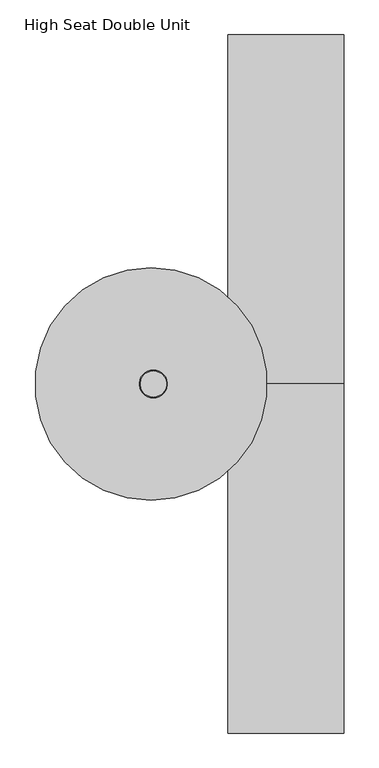
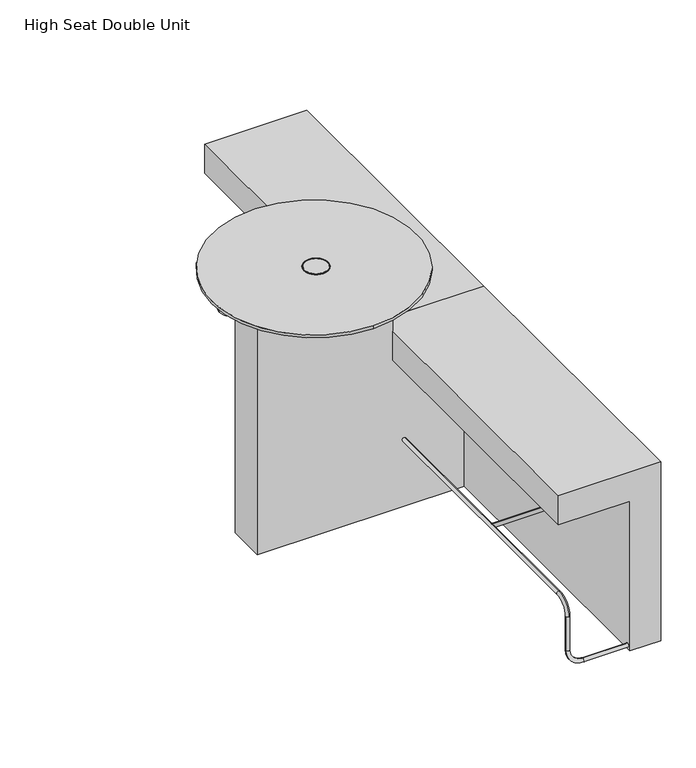
"""IFC4 building model written with IfcOpenShell, lengths in millimetres: furniture geometry, High Seat Double Unit."""

from ifc_helpers import new_model, si_unit, point, frame, frame_2d, origin, origin_with_axes, place, context, project, spatial, polyline, circle_curve, ellipse_curve, trimmed, segment, composite_curve, outline, extrude, source, transform, mapped, element, save
from ifc_brep_helpers import plane_surface, cylinder_surface, revolved_surface, advanced_brep


def high_seat_double_unit_8a950d70(model_context):
    return source(origin(), model_context, "Body", "SolidModel", [
        extrude(outline(composite_curve([segment(trimmed(circle_curve(frame_2d((-536.25, 0.0)), 48.0), [point((-536.25, 48.0))], [point((-536.25, -48.0))], False, "CARTESIAN"), True, "CONTINUOUS"), segment(trimmed(circle_curve(frame_2d((-536.25, 0.0)), 48.0), [point((-536.25, -48.0))], [point((-536.25, 48.0))], False, "CARTESIAN"), True, "CONTINUOUS")], self_intersect=False), holes=[composite_curve([segment(trimmed(circle_curve(frame_2d((-536.25, 0.0)), 45.0), [point((-536.25, 45.0))], [point((-536.25, -45.0))], True, "CARTESIAN"), True, "CONTINUOUS"), segment(trimmed(circle_curve(frame_2d((-536.25, 0.0)), 45.0), [point((-536.25, -45.0))], [point((-536.25, 45.0))], True, "CARTESIAN"), True, "CONTINUOUS")], self_intersect=False)]), frame((0.0, 0.0, 1060.0), z_axis=(0.0, 0.0, 1.0), x_axis=(1.0, 0.0, 0.0)), (0.0, 0.0, 1.0), 2.0),
        extrude(outline(composite_curve([segment(trimmed(circle_curve(frame_2d((-536.25, 0.0)), 45.0), [point((-536.25, 45.0))], [point((-536.25, -45.0))], False, "CARTESIAN"), True, "CONTINUOUS"), segment(trimmed(circle_curve(frame_2d((-536.25, 0.0)), 45.0), [point((-536.25, -45.0))], [point((-536.25, 45.0))], False, "CARTESIAN"), True, "CONTINUOUS")], self_intersect=False)), frame((0.0, 0.0, 1060.0), z_axis=(0.0, 0.0, 1.0), x_axis=(1.0, 0.0, 0.0)), (0.0, 0.0, 1.0), 2.0),
        extrude(outline(composite_curve([segment(trimmed(circle_curve(frame_2d((60.423152, 59.9805734)), 25.0), [point((60.423152, 84.9805734))], [point((60.423152, 34.9805734))], False, "CARTESIAN"), True, "CONTINUOUS"), segment(trimmed(circle_curve(frame_2d((60.423152, 59.9805734)), 25.0), [point((60.423152, 34.9805734))], [point((60.423152, 84.9805734))], False, "CARTESIAN"), True, "CONTINUOUS")], self_intersect=False)), origin_with_axes(), (0.0, 0.0, 1.0), 10.0),
        advanced_brep(
        [(0.0, -1184.1185487, 17.5), (0.0, -1184.1185487, 32.5), (-174.8704276, -1184.1185487, 32.5), (-174.8704276, -1184.1185487, 17.5), (-227.3704276, -1184.1185487, 85.0), (-242.3704276, -1184.1185487, 85.0), (-227.3704276, -1184.1185487, 225.8567292), (-234.8704276, -1191.6185487, 225.8567292), (-242.3704276, -1184.1185487, 225.8567292), (-234.8704276, -1176.6185487, 225.8567292), (-234.8704276, -1124.1185487, 278.3567292), (-234.8704276, -1124.1185487, 293.3567292), (-234.8704276, -75.0, 278.3567292), (-234.8704276, -75.0, 293.3567292)],
        [
            (0, 1, circle_curve(frame((0.0, -1184.1185487, 25.0), z_axis=(1.0, 0.0, 0.0), x_axis=(0.0, 0.0, 1.0)), 7.5)),
            (1, 0, circle_curve(frame((0.0, -1184.1185487, 25.0), z_axis=(1.0, 0.0, 0.0), x_axis=(0.0, 0.0, 1.0)), 7.5)),
            (1, 2),
            (2, 3, circle_curve(frame((-174.8704276, -1184.1185487, 25.0), z_axis=(1.0, 0.0, 0.0), x_axis=(0.0, 0.0, 1.0)), 7.5)),
            (3, 0),
            (3, 2, circle_curve(frame((-174.8704276, -1184.1185487, 25.0), z_axis=(1.0, 0.0, 0.0), x_axis=(0.0, 0.0, 1.0)), 7.5)),
            (2, 4, circle_curve(frame((-174.8704276, -1184.1185487, 85.0), z_axis=(0.0, 1.0, 0.0), x_axis=(0.0, 0.0, -1.0)), 52.5)),
            (4, 5, circle_curve(frame((-234.8704276, -1184.1185487, 85.0), z_axis=(0.0, 0.0, -1.0), x_axis=(1.0, 0.0, 0.0)), 7.5)),
            (5, 3, circle_curve(frame((-174.8704276, -1184.1185487, 85.0), z_axis=(0.0, -1.0, 0.0), x_axis=(0.0, 0.0, -1.0)), 67.5)),
            (5, 4, circle_curve(frame((-234.8704276, -1184.1185487, 85.0), z_axis=(0.0, 0.0, -1.0), x_axis=(1.0, 0.0, 0.0)), 7.5)),
            (4, 6),
            (6, 7, circle_curve(frame((-234.8704276, -1184.1185487, 225.8567292), z_axis=(0.0, 0.0, -1.0), x_axis=(1.0, 0.0, 0.0)), 7.5)),
            (7, 8, circle_curve(frame((-234.8704276, -1184.1185487, 225.8567292), z_axis=(0.0, 0.0, -1.0), x_axis=(1.0, 0.0, 0.0)), 7.5)),
            (8, 5),
            (8, 9, circle_curve(frame((-234.8704276, -1184.1185487, 225.8567292), z_axis=(0.0, 0.0, -1.0), x_axis=(1.0, 0.0, 0.0)), 7.5)),
            (9, 6, circle_curve(frame((-234.8704276, -1184.1185487, 225.8567292), z_axis=(0.0, 0.0, -1.0), x_axis=(1.0, 0.0, 0.0)), 7.5)),
            (10, 9, circle_curve(frame((-234.8704276, -1124.1185487, 225.8567292), z_axis=(1.0, 0.0, 0.0), x_axis=(0.0, -1.0, 0.0)), 52.5)),
            (7, 11, circle_curve(frame((-234.8704276, -1124.1185487, 225.8567292), z_axis=(-1.0, 0.0, 0.0), x_axis=(0.0, -1.0, 0.0)), 67.5)),
            (11, 10, circle_curve(frame((-234.8704276, -1124.1185487, 285.8567292), z_axis=(0.0, -1.0, 0.0), x_axis=(0.0, 0.0, 1.0)), 7.5)),
            (10, 11, circle_curve(frame((-234.8704276, -1124.1185487, 285.8567292), z_axis=(0.0, -1.0, 0.0), x_axis=(0.0, 0.0, 1.0)), 7.5)),
            (12, 13, circle_curve(frame((-234.8704276, -75.0, 285.8567292), z_axis=(0.0, 1.0, 0.0), x_axis=(0.0, 0.0, 1.0)), 7.5)),
            (13, 12, circle_curve(frame((-234.8704276, -75.0, 285.8567292), z_axis=(0.0, 1.0, 0.0), x_axis=(0.0, 0.0, 1.0)), 7.5)),
            (11, 13),
            (12, 10),
        ],
        [
            plane_surface(frame((0.0, -1184.1185487, 25.0), z_axis=(1.0, 0.0, 0.0), x_axis=(0.0, 1.0, 0.0))),
            cylinder_surface(frame((0.0, -1184.1185487, 25.0), z_axis=(1.0, 0.0, 0.0), x_axis=(0.0, 0.0, 1.0)), 7.5),
            revolved_surface(trimmed(ellipse_curve(frame((-174.8704276, -1184.1185487, 25.0), z_axis=(1.0, 0.0, 0.0), x_axis=(0.0, 0.0, 1.0)), 7.5, 7.5), [point((-174.8704276, -1184.1185487, 32.5))], [point((-174.8704276, -1184.1185487, 17.5))], True, "CARTESIAN"), (-174.8704276, -1184.1185487, 85.0), (0.0, 1.0, 0.0)),
            revolved_surface(trimmed(ellipse_curve(frame((-174.8704276, -1184.1185487, 25.0), z_axis=(1.0, 0.0, 0.0), x_axis=(0.0, 0.0, 1.0)), 7.5, 7.5), [point((-174.8704276, -1184.1185487, 17.5))], [point((-174.8704276, -1184.1185487, 32.5))], True, "CARTESIAN"), (-174.8704276, -1184.1185487, 85.0), (0.0, 1.0, 0.0)),
            cylinder_surface(frame((-234.8704276, -1184.1185487, 85.0), z_axis=(0.0, 0.0, -1.0), x_axis=(1.0, 0.0, 0.0)), 7.5),
            revolved_surface(trimmed(ellipse_curve(frame((-234.8704276, -1184.1185487, 225.8567292), z_axis=(0.0, 0.0, -1.0), x_axis=(0.0, -1.0, 0.0)), 7.5, 7.5), [point((-234.8704276, -1191.6185487, 225.8567292))], [point((-234.8704276, -1176.6185487, 225.8567292))], True, "CARTESIAN"), (0.0, -1124.1185487, 225.8567292), (-1.0, 0.0, 0.0)),
            revolved_surface(trimmed(ellipse_curve(frame((-234.8704276, -1184.1185487, 225.8567292), z_axis=(0.0, 0.0, -1.0), x_axis=(0.0, -1.0, 0.0)), 7.5, 7.5), [point((-234.8704276, -1176.6185487, 225.8567292))], [point((-234.8704276, -1191.6185487, 225.8567292))], True, "CARTESIAN"), (0.0, -1124.1185487, 225.8567292), (-1.0, 0.0, 0.0)),
            plane_surface(frame((0.0, -75.0, 285.8567292), z_axis=(0.0, 1.0, 0.0), x_axis=(1.0, 0.0, 0.0))),
            cylinder_surface(frame((-234.8704276, -1124.1185487, 285.8567292), z_axis=(0.0, -1.0, 0.0), x_axis=(0.0, 0.0, 1.0)), 7.5),
        ],
        [
            (0, [[1, 2]]),
            (1, [[-2, 3, 4, 5]]),
            (1, [[-1, -5, 6, -3]]),
            (2, [[-4, 7, 8, 9]]),
            (3, [[-6, -9, 10, -7]]),
            (4, [[-8, 11, 12, 13, 14]]),
            (4, [[-10, -14, 15, 16, -11]]),
            (5, [[17, -15, -13, 18, 19]]),
            (6, [[-17, 20, -18, -12, -16]]),
            (7, [[21, 22]]),
            (8, [[-19, 23, -21, 24]]),
            (8, [[-20, -24, -22, -23]]),
        ],
    ),
        extrude(outline(composite_curve([segment(trimmed(circle_curve(frame_2d((-666.9247919, 285.8721425)), 7.5), [point((-666.9247919, 278.3721425))], [point((-666.9247919, 293.3721425))], False, "CARTESIAN"), True, "CONTINUOUS"), segment(trimmed(circle_curve(frame_2d((-666.9247919, 285.8721425)), 7.5), [point((-666.9247919, 293.3721425))], [point((-666.9247919, 278.3721425))], False, "CARTESIAN"), True, "CONTINUOUS")], self_intersect=False)), frame((-234.8704276, 0.0, 0.0), z_axis=(1.0, 0.0, 0.0), x_axis=(0.0, 1.0, 0.0)), (0.0, 0.0, 1.0), 234.8704276),
        extrude(outline(polyline([(750.0, 120.0), (750.0, -280.0), (630.0, -280.0), (630.0, 0.0), (10.0, 0.0), (10.0, 120.0), (750.0, 120.0)])), frame((0.0, -1200.0, 0.0), z_axis=(0.0, 1.0, 0.0), x_axis=(0.0, 0.0, 1.0)), (0.0, 0.0, 1.0), 1200.0),
        extrude(outline(composite_curve([segment(trimmed(circle_curve(frame_2d((60.423152, -1075.0240584)), 25.0), [point((60.423152, -1050.0240584))], [point((60.423152, -1100.0240584))], False, "CARTESIAN"), True, "CONTINUOUS"), segment(trimmed(circle_curve(frame_2d((60.423152, -1075.0240584)), 25.0), [point((60.423152, -1100.0240584))], [point((60.423152, -1050.0240584))], False, "CARTESIAN"), True, "CONTINUOUS")], self_intersect=False)), origin_with_axes(), (0.0, 0.0, 1.0), 10.0),
        advanced_brep(
        [(-234.8704276, 1124.1185487, 278.3567292), (-234.8704276, 1176.6185487, 225.8567292), (-227.3704276, 1184.1185487, 225.8567292), (-234.8704276, 1191.6185487, 225.8567292), (-234.8704276, 1124.1185487, 293.3567292), (-242.3704276, 1184.1185487, 225.8567292), (-234.8704276, 75.0, 293.3567292), (-234.8704276, 75.0, 278.3567292), (0.0, 1184.1185487, 32.5), (0.0, 1184.1185487, 17.5), (-174.8704276, 1184.1185487, 32.5), (-174.8704276, 1184.1185487, 17.5), (-227.3704276, 1184.1185487, 85.0), (-242.3704276, 1184.1185487, 85.0)],
        [
            (0, 1, circle_curve(frame((-234.8704276, 1124.1185487, 225.8567292), z_axis=(-1.0, 0.0, 0.0), x_axis=(0.0, 1.0, 0.0)), 52.5)),
            (1, 2, circle_curve(frame((-234.8704276, 1184.1185487, 225.8567292), z_axis=(0.0, 0.0, 1.0), x_axis=(0.0, -1.0, 0.0)), 7.5)),
            (2, 3, circle_curve(frame((-234.8704276, 1184.1185487, 225.8567292), z_axis=(0.0, 0.0, 1.0), x_axis=(0.0, -1.0, 0.0)), 7.5)),
            (3, 4, circle_curve(frame((-234.8704276, 1124.1185487, 225.8567292), z_axis=(1.0, 0.0, 0.0), x_axis=(0.0, 1.0, 0.0)), 67.5)),
            (4, 0, circle_curve(frame((-234.8704276, 1124.1185487, 285.8567292), z_axis=(0.0, 1.0, 0.0), x_axis=(0.0, 0.0, -1.0)), 7.5)),
            (0, 4, circle_curve(frame((-234.8704276, 1124.1185487, 285.8567292), z_axis=(0.0, 1.0, 0.0), x_axis=(0.0, 0.0, -1.0)), 7.5)),
            (3, 5, circle_curve(frame((-234.8704276, 1184.1185487, 225.8567292), z_axis=(0.0, 0.0, 1.0), x_axis=(0.0, -1.0, 0.0)), 7.5)),
            (5, 1, circle_curve(frame((-234.8704276, 1184.1185487, 225.8567292), z_axis=(0.0, 0.0, 1.0), x_axis=(0.0, -1.0, 0.0)), 7.5)),
            (6, 7, circle_curve(frame((-234.8704276, 75.0, 285.8567292), z_axis=(0.0, -1.0, 0.0), x_axis=(0.0, 0.0, -1.0)), 7.5)),
            (7, 6, circle_curve(frame((-234.8704276, 75.0, 285.8567292), z_axis=(0.0, -1.0, 0.0), x_axis=(0.0, 0.0, -1.0)), 7.5)),
            (4, 6),
            (7, 0),
            (8, 9, circle_curve(frame((0.0, 1184.1185487, 25.0), z_axis=(1.0, 0.0, 0.0), x_axis=(0.0, 0.0, -1.0)), 7.5)),
            (9, 8, circle_curve(frame((0.0, 1184.1185487, 25.0), z_axis=(1.0, 0.0, 0.0), x_axis=(0.0, 0.0, -1.0)), 7.5)),
            (8, 10),
            (10, 11, circle_curve(frame((-174.8704276, 1184.1185487, 25.0), z_axis=(1.0, 0.0, 0.0), x_axis=(0.0, 0.0, -1.0)), 7.5)),
            (11, 9),
            (11, 10, circle_curve(frame((-174.8704276, 1184.1185487, 25.0), z_axis=(1.0, 0.0, 0.0), x_axis=(0.0, 0.0, -1.0)), 7.5)),
            (10, 12, circle_curve(frame((-174.8704276, 1184.1185487, 85.0), z_axis=(0.0, 1.0, 0.0), x_axis=(0.0, 0.0, -1.0)), 52.5)),
            (12, 13, circle_curve(frame((-234.8704276, 1184.1185487, 85.0), z_axis=(0.0, 0.0, -1.0), x_axis=(-1.0, 0.0, 0.0)), 7.5)),
            (13, 11, circle_curve(frame((-174.8704276, 1184.1185487, 85.0), z_axis=(0.0, -1.0, 0.0), x_axis=(0.0, 0.0, -1.0)), 67.5)),
            (13, 12, circle_curve(frame((-234.8704276, 1184.1185487, 85.0), z_axis=(0.0, 0.0, -1.0), x_axis=(-1.0, 0.0, 0.0)), 7.5)),
            (12, 2),
            (5, 13),
        ],
        [
            revolved_surface(trimmed(ellipse_curve(frame((-234.8704276, 1184.1185487, 225.8567292), z_axis=(0.0, 0.0, -1.0), x_axis=(0.0, -1.0, 0.0)), 7.5, 7.5), [point((-234.8704276, 1191.6185487, 225.8567292))], [point((-234.8704276, 1176.6185487, 225.8567292))], True, "CARTESIAN"), (0.0, 1124.1185487, 225.8567292), (1.0, 0.0, 0.0)),
            revolved_surface(trimmed(ellipse_curve(frame((-234.8704276, 1184.1185487, 225.8567292), z_axis=(0.0, 0.0, -1.0), x_axis=(0.0, -1.0, 0.0)), 7.5, 7.5), [point((-234.8704276, 1176.6185487, 225.8567292))], [point((-234.8704276, 1191.6185487, 225.8567292))], True, "CARTESIAN"), (0.0, 1124.1185487, 225.8567292), (1.0, 0.0, 0.0)),
            plane_surface(frame((0.0, 75.0, 285.8567292), z_axis=(0.0, -1.0, 0.0), x_axis=(1.0, 0.0, 0.0))),
            cylinder_surface(frame((-234.8704276, 1124.1185487, 285.8567292), z_axis=(0.0, 1.0, 0.0), x_axis=(0.0, 0.0, -1.0)), 7.5),
            plane_surface(frame((0.0, 1109.1185487, 25.0), z_axis=(1.0, 0.0, 0.0), x_axis=(0.0, -1.0, 0.0))),
            cylinder_surface(frame((0.0, 1184.1185487, 25.0), z_axis=(1.0, 0.0, 0.0), x_axis=(0.0, 0.0, -1.0)), 7.5),
            revolved_surface(trimmed(ellipse_curve(frame((-174.8704276, 1184.1185487, 25.0), z_axis=(1.0, 0.0, 0.0), x_axis=(0.0, 0.0, -1.0)), 7.5, 7.5), [point((-174.8704276, 1184.1185487, 32.5))], [point((-174.8704276, 1184.1185487, 17.5))], True, "CARTESIAN"), (-174.8704276, 1109.1185487, 85.0), (0.0, 1.0, 0.0)),
            revolved_surface(trimmed(ellipse_curve(frame((-174.8704276, 1184.1185487, 25.0), z_axis=(1.0, 0.0, 0.0), x_axis=(0.0, 0.0, -1.0)), 7.5, 7.5), [point((-174.8704276, 1184.1185487, 17.5))], [point((-174.8704276, 1184.1185487, 32.5))], True, "CARTESIAN"), (-174.8704276, 1109.1185487, 85.0), (0.0, 1.0, 0.0)),
            cylinder_surface(frame((-234.8704276, 1184.1185487, 85.0), z_axis=(0.0, 0.0, -1.0), x_axis=(-1.0, 0.0, 0.0)), 7.5),
        ],
        [
            (0, [[1, 2, 3, 4, 5]]),
            (1, [[-1, 6, -4, 7, 8]]),
            (2, [[9, 10]]),
            (3, [[-5, 11, -10, 12]]),
            (3, [[-6, -12, -9, -11]]),
            (4, [[13, 14]]),
            (5, [[-13, 15, 16, 17]]),
            (5, [[-14, -17, 18, -15]]),
            (6, [[-16, 19, 20, 21]]),
            (7, [[-18, -21, 22, -19]]),
            (8, [[-20, 23, -2, -8, 24]]),
            (8, [[-22, -24, -7, -3, -23]]),
        ],
    ),
        extrude(outline(composite_curve([segment(trimmed(circle_curve(frame_2d((666.9247919, 285.8721425)), 7.5), [point((666.9247919, 278.3721425))], [point((666.9247919, 293.3721425))], False, "CARTESIAN"), True, "CONTINUOUS"), segment(trimmed(circle_curve(frame_2d((666.9247919, 285.8721425)), 7.5), [point((666.9247919, 293.3721425))], [point((666.9247919, 278.3721425))], False, "CARTESIAN"), True, "CONTINUOUS")], self_intersect=False)), frame((-234.8704276, 0.0, 0.0), z_axis=(1.0, 0.0, 0.0), x_axis=(0.0, 1.0, 0.0)), (0.0, 0.0, 1.0), 234.8704276),
        extrude(outline(composite_curve([segment(trimmed(circle_curve(frame_2d((60.423152, -59.9805734)), 25.0), [point((60.423152, -34.9805734))], [point((60.423152, -84.9805734))], False, "CARTESIAN"), True, "CONTINUOUS"), segment(trimmed(circle_curve(frame_2d((60.423152, -59.9805734)), 25.0), [point((60.423152, -84.9805734))], [point((60.423152, -34.9805734))], False, "CARTESIAN"), True, "CONTINUOUS")], self_intersect=False)), origin_with_axes(), (0.0, 0.0, 1.0), 10.0),
        extrude(outline(polyline([(750.0, 120.0), (750.0, -280.0), (630.0, -280.0), (630.0, 0.0), (10.0, 0.0), (10.0, 120.0), (750.0, 120.0)])), frame((0.0, 0.0, 0.0), z_axis=(0.0, 1.0, 0.0), x_axis=(0.0, 0.0, 1.0)), (0.0, 0.0, 1.0), 1200.0),
        extrude(outline(composite_curve([segment(trimmed(circle_curve(frame_2d((-760.0, 0.0)), 25.0), [point((-785.0, 0.0))], [point((-735.0, 0.0))], False, "CARTESIAN"), True, "CONTINUOUS"), segment(trimmed(circle_curve(frame_2d((-760.0, 0.0)), 25.0), [point((-735.0, 0.0))], [point((-785.0, 0.0))], False, "CARTESIAN"), True, "CONTINUOUS")], self_intersect=False)), origin_with_axes(), (0.0, 0.0, 1.0), 10.0),
        advanced_brep(
        [(-544.1165847, 400.0, 1060.0), (-544.1165847, -400.0, 1060.0), (-544.1165847, -344.0192379, 1034.1358283), (-544.1165847, 344.0192379, 1034.1358283), (-544.1165847, 400.0, 1049.1358283), (-544.1165847, -400.0, 1049.1358283)],
        [
            (0, 1, circle_curve(frame((-544.1165847, 0.0, 1060.0), z_axis=(0.0, 0.0, 1.0), x_axis=(0.0, -1.0, 0.0)), 400.0)),
            (1, 0, circle_curve(frame((-544.1165847, 0.0, 1060.0), z_axis=(0.0, 0.0, 1.0), x_axis=(0.0, -1.0, 0.0)), 400.0)),
            (2, 3, circle_curve(frame((-544.1165847, 0.0, 1034.1358283), z_axis=(0.0, 0.0, -1.0), x_axis=(0.0, 1.0, 0.0)), 344.0192379)),
            (3, 2, circle_curve(frame((-544.1165847, 0.0, 1034.1358283), z_axis=(0.0, 0.0, -1.0), x_axis=(0.0, -1.0, 0.0)), 344.0192379)),
            (0, 4),
            (4, 5, circle_curve(frame((-544.1165847, 0.0, 1049.1358283), z_axis=(0.0, 0.0, 1.0), x_axis=(0.0, -1.0, 0.0)), 400.0)),
            (5, 1),
            (5, 4, circle_curve(frame((-544.1165847, 0.0, 1049.1358283), z_axis=(0.0, 0.0, 1.0), x_axis=(0.0, -1.0, 0.0)), 400.0)),
            (2, 5),
            (4, 3),
        ],
        [
            plane_surface(frame((-544.1165847, -400.0, 1060.0), z_axis=(0.0, 0.0, 1.0), x_axis=(1.0, 0.0, 0.0))),
            plane_surface(frame((-544.1165847, -400.0, 1034.1358283), z_axis=(0.0, 0.0, -1.0), x_axis=(-1.0, 0.0, 0.0))),
            cylinder_surface(frame((-544.1165847, 0.0, 1034.1358283), z_axis=(0.0, 0.0, 1.0), x_axis=(0.0, -1.0, 0.0)), 400.0),
            revolved_surface(polyline([(-544.1165847, 336.5551363, 1032.1358283), (-544.1165847, 400.0, 1049.1358283)]), (-544.1165847, 0.0, 1034.1358283), (0.0, 0.0, 1.0)),
            revolved_surface(polyline([(-544.1165847, -336.5551363, 1032.1358283), (-544.1165847, -400.0, 1049.1358283)]), (-544.1165847, 0.0, 1034.1358283), (0.0, 0.0, 1.0)),
        ],
        [
            (0, [[1, 2]]),
            (1, [[3, 4]]),
            (2, [[-1, 5, 6, 7]]),
            (2, [[-2, -7, 8, -5]]),
            (3, [[9, -6, 10, -3]]),
            (4, [[-9, -4, -10, -8]]),
        ],
    ),
        extrude(outline(polyline([(630.0, -280.0), (1032.1358283, -280.0), (1032.1358283, -810.0), (10.0, -810.0), (10.0, 0.0), (630.0, 0.0), (630.0, -280.0)])), frame((0.0, -75.0, 0.0), z_axis=(0.0, 1.0, 0.0), x_axis=(0.0, 0.0, 1.0)), (0.0, 0.0, 1.0), 150.0),
        extrude(outline(composite_curve([segment(trimmed(circle_curve(frame_2d((60.423152, 1075.0240584)), 25.0), [point((60.423152, 1100.0240584))], [point((60.423152, 1050.0240584))], False, "CARTESIAN"), True, "CONTINUOUS"), segment(trimmed(circle_curve(frame_2d((60.423152, 1075.0240584)), 25.0), [point((60.423152, 1050.0240584))], [point((60.423152, 1100.0240584))], False, "CARTESIAN"), True, "CONTINUOUS")], self_intersect=False)), origin_with_axes(), (0.0, 0.0, 1.0), 10.0),
    ])


if __name__ == "__main__":
    model = new_model("IFC4")
    model_context = context("Model", 3, world=origin())
    ifc_project = project(units=[si_unit("LENGTHUNIT", "METRE", prefix="MILLI")], contexts=[model_context])
    site = spatial("IfcSite", under=ifc_project)
    building = spatial("IfcBuilding", under=site)
    placement = place(None, origin())
    high_seat_double_unit_shape = high_seat_double_unit_8a950d70(model_context)
    element("IfcFurniture", 1, ObjectType="High Seat Double Unit", at=placement, inside=building, context=model_context, shape_type="MappedRepresentation", body=[
        mapped(high_seat_double_unit_shape, transform((0.0, 0.0, 0.0), x_axis=(1.0, 0.0, 0.0), y_axis=(0.0, 1.0, 0.0), z_axis=(0.0, 0.0, 1.0))),
    ])
    save(model, "model.ifc")
